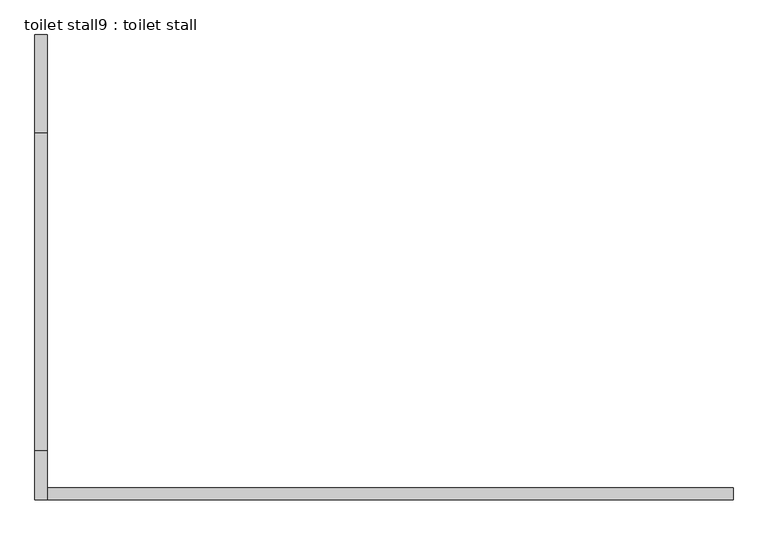
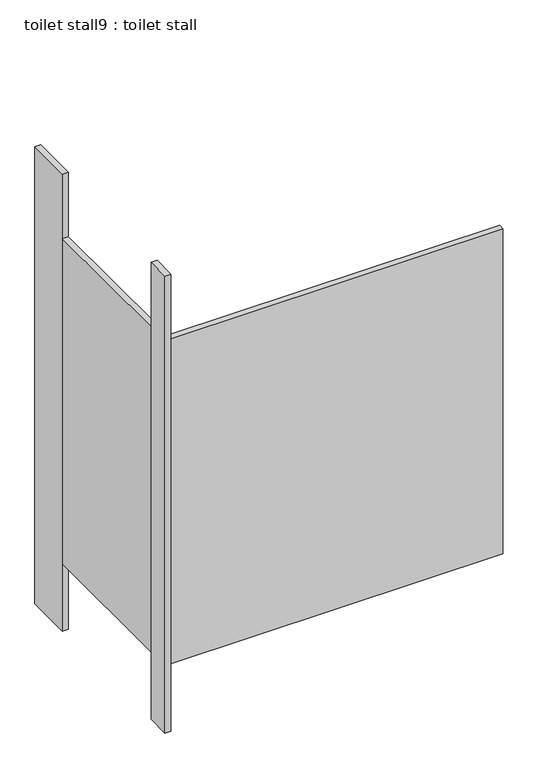
"""IFC4 building model written with IfcOpenShell, lengths in millimetres: proxy geometry, toilet stall9 : toilet stall."""

from ifc_helpers import new_model, si_unit, frame, origin, origin_with_axes, place, context, project, spatial, polyline, outline, extrude, source, transform, mapped, element, save


def toilet_stall9_toilet_stall_146621db(model_context):
    return source(origin(), model_context, "Body", "SweptSolid", [
        extrude(outline(polyline([(454658.2004676, -271318.8113632), (454632.8004676, -271318.8113632), (454632.8004676, -271115.6113632), (454658.2004676, -271115.6113632), (454658.2004676, -271318.8113632)])), origin_with_axes(), (0.0, 0.0, 1.0), 2070.1),
        extrude(outline(polyline([(454658.2004676, -272080.8113632), (454632.8004676, -272080.8113632), (454632.8004676, -271979.2113632), (454658.2004676, -271979.2113632), (454658.2004676, -272080.8113632)])), origin_with_axes(), (0.0, 0.0, 1.0), 2070.1),
        extrude(outline(polyline([(454658.2004676, -272080.8113632), (454658.2004676, -272055.4113632), (456080.6004676, -272055.4113632), (456080.6004676, -272080.8113632), (454658.2004676, -272080.8113632)])), frame((0.0, 0.0, 304.8), z_axis=(0.0, 0.0, 1.0), x_axis=(1.0, 0.0, 0.0)), (0.0, 0.0, 1.0), 1473.2),
        extrude(outline(polyline([(454658.2004676, -271979.2113632), (454632.8004676, -271979.2113632), (454632.8004676, -271318.8113632), (454658.2004676, -271318.8113632), (454658.2004676, -271979.2113632)])), frame((0.0, 0.0, 304.8), z_axis=(0.0, 0.0, 1.0), x_axis=(1.0, 0.0, 0.0)), (0.0, 0.0, 1.0), 1473.2),
    ])


if __name__ == "__main__":
    model = new_model("IFC4")
    model_context = context("Model", 3, world=origin())
    ifc_project = project(units=[si_unit("LENGTHUNIT", "METRE", prefix="MILLI")], contexts=[model_context])
    site = spatial("IfcSite", under=ifc_project)
    building = spatial("IfcBuilding", under=site)
    placement = place(None, origin())
    toilet_stall9_toilet_stall_shape = toilet_stall9_toilet_stall_146621db(model_context)
    element("IfcBuildingElementProxy", 1, Name="toilet stall9 : toilet stall", ObjectType="toilet stall9 : toilet stall", at=placement, inside=building, context=model_context, shape_type="MappedRepresentation", body=[
        mapped(toilet_stall9_toilet_stall_shape, transform((0.0, 0.0, 0.0), x_axis=(1.0, 0.0, 0.0), y_axis=(0.0, 1.0, 0.0), z_axis=(0.0, 0.0, 1.0))),
    ])
    save(model, "model.ifc")
